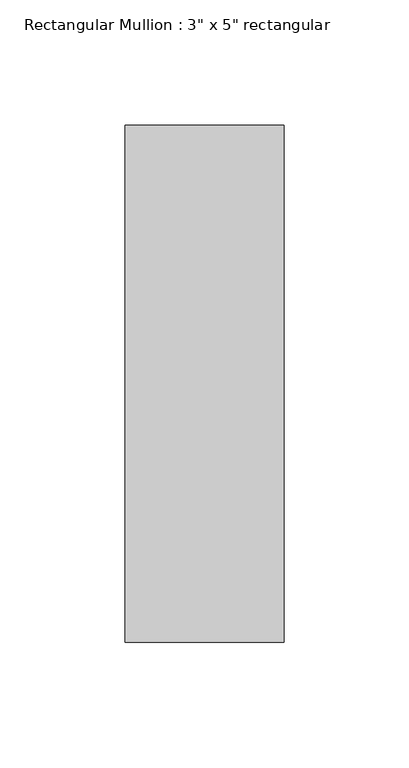
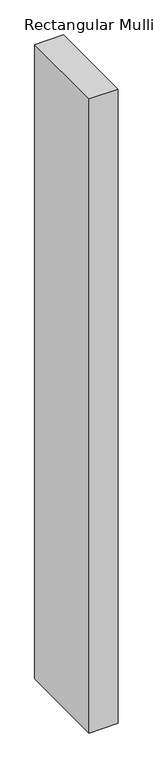
"""IFC4 building model written with IfcOpenShell, lengths in millimetres: member geometry."""

from ifc_helpers import new_model, si_unit, frame, origin, place, context, project, spatial, polyline, outline, extrude, source, transform, mapped, element, save


def member_3874f6c1(model_context):
    return source(origin(), model_context, "Body", "SweptSolid", [
        extrude(outline(polyline([(31.75, 90.551), (31.75, -115.951), (-31.75, -115.951), (-31.75, 90.551), (31.75, 90.551)])), frame((0.0, 0.0, -1467.0716573), z_axis=(0.0, 0.0, 1.0), x_axis=(1.0, 0.0, 0.0)), (0.0, 0.0, 1.0), 1467.0716573),
    ])


if __name__ == "__main__":
    model = new_model("IFC4")
    model_context = context("Model", 3, world=origin())
    ifc_project = project(units=[si_unit("LENGTHUNIT", "METRE", prefix="MILLI")], contexts=[model_context])
    site = spatial("IfcSite", under=ifc_project)
    building = spatial("IfcBuilding", under=site)
    placement = place(None, origin())
    member_shape = member_3874f6c1(model_context)
    element("IfcMember", 1, ObjectType="Rectangular Mullion : 3\" x 5\" rectangular", at=placement, inside=building, context=model_context, shape_type="MappedRepresentation", body=[
        mapped(member_shape, transform((0.0, 0.0, 0.0), x_axis=(1.0, 0.0, 0.0), y_axis=(0.0, 1.0, 0.0), z_axis=(0.0, 0.0, 1.0))),
    ])
    save(model, "model.ifc")
